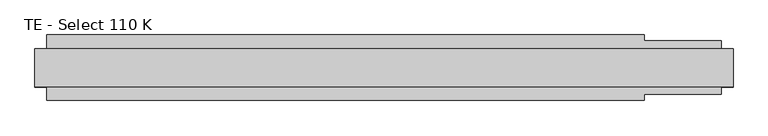
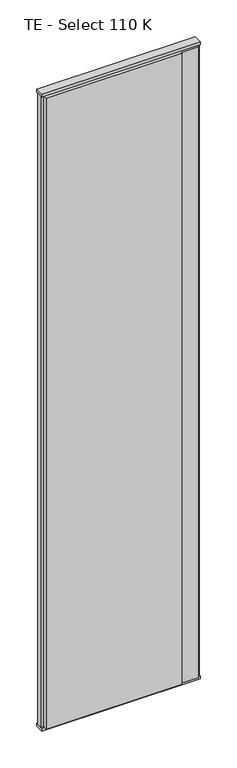
"""IFC4 building model written with IfcOpenShell, lengths in millimetres: plate geometry, TE - Select 110 K."""

from ifc_helpers import new_model, si_unit, frame, origin, origin_with_axes, place, context, project, spatial, polyline, outline, extrude, source, transform, mapped, element, save


def te_select_110_k_27a006d0(model_context):
    return source(origin(), model_context, "Body", "SweptSolid", [
        extrude(outline(polyline([(438.0, 55.0), (438.0, 45.0), (568.0, 45.0), (568.0, 22.9993165), (588.0, 17.6401049), (588.0, -17.6401049), (568.0, -22.9993165), (568.0, -45.0), (438.0, -45.0), (438.0, -55.0), (-568.0, -55.0), (-568.0, -22.9993165), (-588.0, -17.6401049), (-588.0, 17.6401049), (-568.0, 22.9993165), (-568.0, 55.0), (438.0, 55.0)])), frame((0.0, 0.0, 25.0), z_axis=(0.0, 0.0, 1.0), x_axis=(1.0, 0.0, 0.0)), (0.0, 0.0, 1.0), 4950.0),
        extrude(outline(polyline([(588.0, 32.0), (588.0, -32.0), (-588.0, -32.0), (-588.0, 32.0), (588.0, 32.0)])), origin_with_axes(), (0.0, 0.0, 1.0), 25.0),
        extrude(outline(polyline([(588.0, 32.0), (588.0, -32.0), (-588.0, -32.0), (-588.0, 32.0), (588.0, 32.0)])), frame((0.0, 0.0, 4975.0), z_axis=(0.0, 0.0, 1.0), x_axis=(1.0, 0.0, 0.0)), (0.0, 0.0, 1.0), 25.0),
    ])


if __name__ == "__main__":
    model = new_model("IFC4")
    model_context = context("Model", 3, world=origin())
    ifc_project = project(units=[si_unit("LENGTHUNIT", "METRE", prefix="MILLI")], contexts=[model_context])
    site = spatial("IfcSite", under=ifc_project)
    building = spatial("IfcBuilding", under=site)
    placement = place(None, origin())
    te_select_110_k_shape = te_select_110_k_27a006d0(model_context)
    element("IfcPlate", 1, ObjectType="TE - Select 110 K", at=placement, inside=building, context=model_context, shape_type="MappedRepresentation", body=[
        mapped(te_select_110_k_shape, transform((0.0, 0.0, 0.0), x_axis=(1.0, 0.0, 0.0), y_axis=(0.0, 1.0, 0.0), z_axis=(0.0, 0.0, 1.0))),
    ])
    save(model, "model.ifc")
